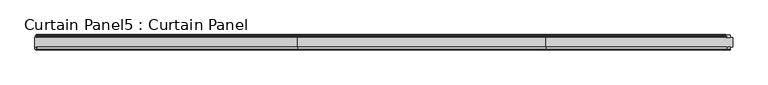
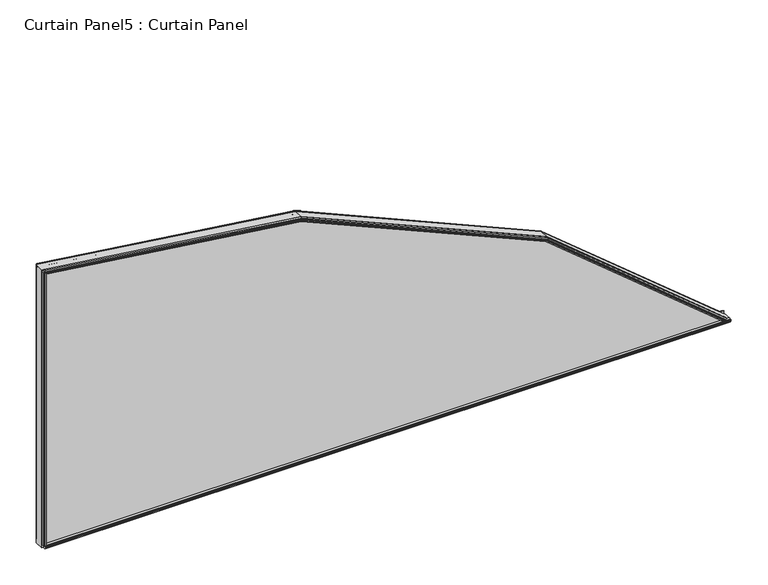
"""IFC4 building model written with IfcOpenShell, lengths in millimetres: plate geometry, Curtain Panel5 : Curtain Panel."""

from ifc_helpers import new_model, si_unit, point, frame, frame_2d, origin, place, context, project, spatial, polyline, circle_curve, ellipse_curve, trimmed, segment, composite_curve, outline, extrude, faceted_brep, source, transform, mapped, element, save
from ifc_brep_helpers import plane_surface, cylinder_surface, advanced_brep


def curtain_panel5_curtain_panel_9cf5a6fa(model_context):
    return source(origin(), model_context, "Body", "SolidModel", [
        extrude(outline(polyline([(12784.877983, -409.995609), (12778.146983, -409.995609), (12778.146983, -406.503109), (12775.429183, -406.020509), (12775.683183, -407.569909), (12774.870383, -407.569909), (12774.463983, -405.233109), (12774.870383, -402.896309), (12775.683183, -402.896309), (12775.429183, -404.445709), (12778.146983, -403.963109), (12778.146983, -399.670509), (12784.877983, -398.478009), (12784.877983, -409.995609)])), frame((-20428.3060321, 0.0, 0.0), z_axis=(1.0, 0.0, 0.0), x_axis=(0.0, 1.0, 0.0)), (0.0, 0.0, 1.0), 2212.0756181),
        extrude(outline(composite_curve([segment(trimmed(circle_curve(frame_2d((12826.5954773, -385.5547046)), 13.8172734), [point((12815.002383, -393.0724974))], [point((12822.952583, -398.883109))], True, "CARTESIAN"), True, "CONTINUOUS"), segment(polyline([(12822.952583, -398.883109), (12820.564983, -398.883109)]), True, "CONTINUOUS"), segment(trimmed(circle_curve(frame_2d((12820.564983, -399.670509)), 0.7874), [point((12820.564983, -398.883109))], [point((12819.777583, -399.670509))], True, "CARTESIAN"), True, "CONTINUOUS"), segment(polyline([(12819.777583, -399.670509), (12819.777583, -400.457909), (12821.352383, -400.457909), (12819.777583, -406.2215802), (12819.777583, -407.091305)]), True, "CONTINUOUS"), segment(trimmed(circle_curve(frame_2d((12817.389983, -407.091305)), 2.3876), [point((12819.777583, -407.091305))], [point((12815.002383, -407.091305))], False, "CARTESIAN"), True, "CONTINUOUS"), segment(polyline([(12815.002383, -407.091305), (12815.002383, -393.0724974)]), True, "CONTINUOUS")], self_intersect=False)), frame((-20428.3060321, 0.0, 0.0), z_axis=(1.0, 0.0, 0.0), x_axis=(0.0, 1.0, 0.0)), (0.0, 0.0, 1.0), 2212.0756181),
        advanced_brep(
        [(-20429.0341071, 12815.002383, 528.646369), (-20427.7700988, 12815.002383, 538.133804), (-20427.7236337, 12816.6677648, 538.4825636), (-20427.7183988, 12817.987968, 538.5218556), (-20427.7714767, 12819.7027992, 538.1234622), (-20428.2343832, 12819.7027992, 534.6489631), (-20428.2981167, 12822.4205992, 534.17059), (-20428.0934986, 12822.1665992, 535.7064193), (-20428.0934986, 12822.9793992, 535.7064193), (-20428.402103, 12823.3857992, 533.3900865), (-20428.7107073, 12822.9793992, 531.0737537), (-20428.7107073, 12822.1665992, 531.0737537), (-20428.5060892, 12822.4205992, 532.6095831), (-20428.5698227, 12819.7027992, 532.13121), (-20429.0327292, 12819.7027992, 528.6567108), (-20429.0858071, 12817.987968, 528.2583175), (-20429.0805722, 12816.6677648, 528.2976095), (-18228.6426262, 12815.002383, -394.8927232), (-18234.7421406, 12815.002383, -402.2687021), (-18234.9663597, 12816.6677648, -402.5398442), (-18234.9916207, 12817.987968, -402.5703916), (-18234.7354918, 12819.7027992, -402.2606619), (-18232.5017207, 12819.7027992, -399.5594225), (-18232.1941725, 12822.4205992, -399.1875128), (-18233.1815641, 12822.1665992, -400.3815388), (-18233.1815641, 12822.9793992, -400.3815388), (-18231.6923834, 12823.3857992, -398.5807126), (-18230.2032027, 12822.9793992, -396.7798864), (-18230.2032027, 12822.1665992, -396.7798864), (-18231.1905943, 12822.4205992, -397.9739125), (-18230.8830461, 12819.7027992, -397.6020027), (-18228.649275, 12819.7027992, -394.9007634), (-18228.3931461, 12817.987968, -394.5910336), (-18228.4184071, 12816.6677648, -394.6215811), (-19596.9075642, 12815.002383, 427.4382268), (-19596.8120841, 12816.6677648, 427.7804561), (-19596.8013271, 12817.987968, 427.8190124), (-19596.9103955, 12819.7027992, 427.4280786), (-18804.8120505, 12819.7027992, 81.5530314), (-18806.6661872, 12819.7027992, 78.537856), (-19597.8616111, 12819.7027992, 424.0186367), (-19597.9925755, 12822.4205992, 423.5492208), (-19597.5721107, 12822.1665992, 425.0562929), (-19597.5721107, 12822.9793992, 425.0562929), (-19598.2062544, 12823.3857992, 422.7833317), (-19598.8403981, 12822.9793992, 420.5103704), (-19598.8403981, 12822.1665992, 420.5103704), (-19598.4199332, 12822.4205992, 422.0174425), (-19598.5508977, 12819.7027992, 421.5480266), (-18808.0097644, 12819.7027992, 76.3529463), (-18809.863901, 12819.7027992, 73.337771), (-19599.5021132, 12819.7027992, 418.1385847), (-19599.6111816, 12817.987968, 417.747651), (-19599.6004246, 12816.6677648, 417.7862072), (-19599.5049445, 12815.002383, 418.1284365), (-18809.8694199, 12815.002383, 73.3287963), (-18804.8065317, 12815.002383, 81.5620061), (-18804.6204192, 12816.6677648, 81.8646601), (-18804.5994513, 12817.987968, 81.8987577), (-18806.9214668, 12822.4205992, 78.1227232), (-18806.1018847, 12822.1665992, 79.4555181), (-18806.1018847, 12822.9793992, 79.4555181), (-18807.3379758, 12823.3857992, 77.4454012), (-18808.5740669, 12822.9793992, 75.4352843), (-18808.5740669, 12822.1665992, 75.4352843), (-18807.7544847, 12822.4205992, 76.7680792), (-18810.0765002, 12817.987968, 72.9920446), (-18810.0555324, 12816.6677648, 73.0261423)],
        [
            (0, 1),
            (1, 2),
            (2, 3, circle_curve(frame((-20427.7211607, 12817.3278992, 538.5011252), z_axis=(-0.9912413513303467, 0.0, 0.13206280101825824), x_axis=(0.004182169195387443, 0.999498442049657, 0.03139066423524093)), 0.6604)),
            (3, 4),
            (4, 5),
            (5, 6),
            (6, 7),
            (7, 8),
            (8, 9),
            (9, 10),
            (10, 11),
            (11, 12),
            (12, 13),
            (13, 14),
            (14, 15),
            (15, 16, circle_curve(frame((-20429.0830452, 12817.3278992, 528.2790479), z_axis=(-0.9912413513303467, 0.0, 0.1320628010182582), x_axis=(0.003744630574845894, -0.9995979183315306, 0.028106572347564)), 0.6604)),
            (16, 0),
            (17, 18),
            (18, 19),
            (19, 20, circle_curve(frame((-18234.978293, 12817.3278992, -402.5542748), z_axis=(0.7706377184790498, 0.0, -0.6372734945511267), x_axis=(0.018069840968344623, -0.9995979183315306, 0.021851373289785966)), 0.6604)),
            (20, 21),
            (21, 22),
            (22, 23),
            (23, 24),
            (24, 25),
            (25, 26),
            (26, 27),
            (27, 28),
            (28, 29),
            (29, 30),
            (30, 31),
            (31, 32),
            (32, 33, circle_curve(frame((-18228.4064738, 12817.3278992, -394.6071504), z_axis=(0.7706377184790497, 0.0, -0.6372734945511266), x_axis=(0.020181198319284024, 0.999498442049657, 0.024404581018864096)), 0.6604)),
            (33, 17),
            (1, 34),
            (34, 35),
            (35, 2),
            (35, 36, ellipse_curve(frame((-19596.8070025, 12817.3278992, 427.7986701), z_axis=(-0.9632150690995037, 0.0, 0.2687317075814434), x_axis=(-0.2687317075814423, 0.0, -0.963215069099504)), 0.6668901, 0.6604)),
            (36, 3),
            (36, 37),
            (37, 4),
            (37, 38),
            (38, 31),
            (30, 39),
            (39, 40),
            (40, 5),
            (40, 41),
            (41, 6),
            (41, 42),
            (42, 7),
            (42, 43),
            (43, 8),
            (43, 44),
            (44, 9),
            (44, 45),
            (45, 10),
            (45, 46),
            (46, 11),
            (46, 47),
            (47, 12),
            (47, 48),
            (48, 13),
            (48, 49),
            (49, 22),
            (21, 50),
            (50, 51),
            (51, 14),
            (51, 52),
            (52, 15),
            (52, 53, ellipse_curve(frame((-19599.6055062, 12817.3278992, 417.7679932), z_axis=(-0.9632150690995037, 0.0, 0.2687317075814433), x_axis=(-0.2687317075814431, 0.0, -0.9632150690995038)), 0.6668901, 0.6604)),
            (53, 16),
            (53, 54),
            (54, 0),
            (54, 55),
            (55, 18),
            (17, 56),
            (56, 34),
            (56, 57),
            (57, 35),
            (57, 58, ellipse_curve(frame((-18804.6105139, 12817.3278992, 81.8807679), z_axis=(-0.851829253573997, 0.0, 0.5238195517118155), x_axis=(-0.5238195517118148, 0.0, -0.8518292535739974)), 0.6668901, 0.6604)),
            (58, 36),
            (58, 38),
            (39, 59),
            (59, 41),
            (59, 60),
            (60, 42),
            (43, 61),
            (61, 62),
            (62, 44),
            (62, 63),
            (63, 45),
            (46, 64),
            (64, 65),
            (65, 47),
            (65, 49),
            (50, 66),
            (66, 52),
            (66, 67, ellipse_curve(frame((-18810.0654376, 12817.3278992, 73.0100345), z_axis=(-0.851829253573997, 0.0, 0.5238195517118155), x_axis=(-0.5238195517118148, 0.0, -0.8518292535739974)), 0.6668901, 0.6604)),
            (67, 53),
            (67, 55),
            (33, 57),
            (32, 58),
            (29, 59),
            (28, 60),
            (61, 27),
            (26, 62),
            (25, 63),
            (64, 24),
            (23, 65),
            (20, 66),
            (19, 67),
            (60, 61),
            (63, 64),
        ],
        [
            plane_surface(frame((-20427.6651851, 12815.002383, 538.9212692), z_axis=(-0.9912413513303477, 0.0, 0.13206280101825107), x_axis=(0.0, 1.0, 0.0))),
            plane_surface(frame((-18228.1363613, 12815.002383, -394.2805107), z_axis=(0.7706377184790544, 0.0, -0.6372734945511211), x_axis=(0.0, 1.0, 0.0))),
            plane_surface(frame((-20427.7700988, 12815.002383, 538.133804), z_axis=(0.12921068404145455, -0.20670492848321984, 0.9698338371444288), x_axis=(0.9912413513303479, 0.0, -0.13206280101824996))),
            cylinder_surface(frame((-20427.7211607, 12817.3278992, 538.5011252), z_axis=(-0.9912413513303467, 0.0, 0.13206280101825824), x_axis=(0.004182169195387443, 0.999498442049657, 0.03139066423524093)), 0.6604),
            plane_surface(frame((-20427.7183988, 12817.987968, 538.5218556), z_axis=(0.1285784970906457, 0.2281913227891283, 0.965088747364541), x_axis=(0.9912413513303477, 0.0, -0.13206280101825074))),
            plane_surface(frame((-20427.7714767, 12819.7027992, 538.1234622), z_axis=(0.0, 1.0000000000000002, 0.0), x_axis=(0.9912413513303476, 0.0, -0.13206280101825207))),
            plane_surface(frame((-20428.2343832, 12819.7027992, 534.6489631), z_axis=(0.13002873371405116, 0.174835110415348, 0.9759739815050263), x_axis=(0.9912413513303476, 0.0, -0.1320628010182521))),
            plane_surface(frame((-20428.2981167, 12822.4205992, 534.17059), z_axis=(-0.0213644632092366, -0.9868276651054949, -0.1603580964411166), x_axis=(0.9912413513303477, 0.0, -0.1320628010182507))),
            plane_surface(frame((-20428.0934986, 12822.1665992, 535.7064193), z_axis=(0.13206280101825055, 0.0, 0.9912413513303477), x_axis=(0.9912413513303477, 0.0, -0.13206280101825055))),
            plane_surface(frame((-20428.0934986, 12822.9793992, 535.7064193), z_axis=(0.02262779546743316, 0.9852117548196437, 0.1698404575991307), x_axis=(0.9912413513303477, 0.0, -0.13206280101825055))),
            plane_surface(frame((-20428.402103, 12823.3857992, 533.3900865), z_axis=(-0.022627795467377556, 0.9852117548197105, -0.16984045759875083), x_axis=(0.9912413513303476, 0.0, -0.13206280101825138))),
            plane_surface(frame((-20428.7107073, 12822.9793992, 531.0737537), z_axis=(-0.13206280101825163, 0.0, -0.9912413513303476), x_axis=(0.9912413513303476, 0.0, -0.13206280101825163))),
            plane_surface(frame((-20428.7107073, 12822.1665992, 531.0737537), z_axis=(0.021364463209178213, -0.9868276651055612, 0.16035809644071583), x_axis=(0.9912413513303476, 0.0, -0.13206280101825163))),
            plane_surface(frame((-20428.5060892, 12822.4205992, 532.6095831), z_axis=(-0.13002873371403825, 0.1748351104157787, -0.9759739815049511), x_axis=(0.9912413513303479, 0.0, -0.13206280101825013))),
            plane_surface(frame((-20428.5698227, 12819.7027992, 532.13121), z_axis=(0.0, 1.0, 0.0), x_axis=(0.9912413513303476, 0.0, -0.132062801018252))),
            plane_surface(frame((-20429.0327292, 12819.7027992, 528.6567108), z_axis=(-0.1285784970906363, 0.2281913227893799, -0.9650887473644828), x_axis=(0.9912413513303479, 0.0, -0.1320628010182503))),
            cylinder_surface(frame((-20429.0830452, 12817.3278992, 528.2790479), z_axis=(-0.991241351330347, 0.0, 0.13206280101825824), x_axis=(0.003744630574845894, -0.9995979183315306, 0.028106572347564)), 0.6604),
            plane_surface(frame((-20429.0805722, 12816.6677648, 528.2976095), z_axis=(-0.12921068404147035, -0.20670492848274594, -0.9698338371445278), x_axis=(0.9912413513303476, 0.0, -0.13206280101825152))),
            plane_surface(frame((-20427.9056525, 12815.002383, 537.116361), z_axis=(0.0, -1.0000000000000002, 0.0), x_axis=(0.9912413513303476, 0.0, -0.13206280101825216))),
            plane_surface(frame((-19596.9075642, 12815.002383, 427.4382268), z_axis=(0.3915277157273864, -0.2067049284832205, 0.8966488277793272), x_axis=(0.9164409011895428, 0.0, -0.40017005713433706))),
            cylinder_surface(frame((-19596.8615941, 12817.3278992, 427.8225079), z_axis=(-0.9164409011895405, 0.0, 0.40017005713434234), x_axis=(0.012672598740600437, 0.999498442049657, 0.029021881080802794)), 0.6604),
            plane_surface(frame((-19596.8013271, 12817.987968, 427.8190124), z_axis=(0.38961209462685664, 0.22819132278912768, 0.8922618090696371), x_axis=(0.9164409011895438, 0.0, -0.40017005713433496))),
            plane_surface(frame((-19597.8616111, 12819.7027992, 424.0186367), z_axis=(0.394006528698914, 0.17483511041534733, 0.9023256283120219), x_axis=(0.9164409011895439, 0.0, -0.4001700571343346))),
            plane_surface(frame((-19597.9925755, 12822.4205992, 423.5492208), z_axis=(-0.06473752182419978, -0.9868276651054948, -0.1482572515949852), x_axis=(0.9164409011895432, 0.0, -0.40017005713433623))),
            plane_surface(frame((-19597.5721107, 12822.9793992, 425.0562929), z_axis=(0.06856560768974435, 0.9852117548196437, 0.1570240606000698), x_axis=(0.916440901189543, 0.0, -0.4001700571343368))),
            plane_surface(frame((-19598.2062544, 12823.3857992, 422.7833317), z_axis=(-0.06856560768958571, 0.9852117548197108, -0.1570240605997188), x_axis=(0.9164409011895429, 0.0, -0.40017005713433695))),
            plane_surface(frame((-19598.8403981, 12822.1665992, 420.5103704), z_axis=(0.06473752182403253, -0.9868276651055615, 0.1482572515946149), x_axis=(0.9164409011895436, 0.0, -0.40017005713433557))),
            plane_surface(frame((-19598.4199332, 12822.4205992, 422.0174425), z_axis=(-0.39400652869888425, 0.1748351104157794, -0.9023256283119514), x_axis=(0.9164409011895432, 0.0, -0.4001700571343364))),
            plane_surface(frame((-19599.5021132, 12819.7027992, 418.1385847), z_axis=(-0.3896120946268342, 0.22819132278938062, -0.8922618090695823), x_axis=(0.9164409011895428, 0.0, -0.4001700571343373))),
            cylinder_surface(frame((-19600.9883078, 12817.3278992, 418.3718028), z_axis=(-0.9164409011895407, 0.0, 0.40017005713434234), x_axis=(0.011346791220000369, -0.9995979183315306, 0.025985611331669732)), 0.6604),
            plane_surface(frame((-19599.6004246, 12816.6677648, 417.7862072), z_axis=(-0.3915277157274267, -0.20670492848274527, -0.8966488277794193), x_axis=(0.9164409011895434, 0.0, -0.40017005713433607))),
            plane_surface(frame((-18804.8065317, 12815.002383, 81.5620061), z_axis=(0.62351050801247, -0.2067049284832212, 0.7539945085600942), x_axis=(0.7706377184790543, 0.0, -0.6372734945511211))),
            cylinder_surface(frame((-18804.6564202, 12817.3278992, 81.9187297), z_axis=(-0.7706377184790499, 0.0, 0.6372734945511267), x_axis=(0.020181198319284024, 0.999498442049657, 0.024404581018864096)), 0.6604),
            plane_surface(frame((-18804.5994513, 12817.987968, 81.8987577), z_axis=(0.6204598685875439, 0.2281913227891269, 0.7503054522499997), x_axis=(0.7706377184790535, 0.0, -0.6372734945511221))),
            plane_surface(frame((-18806.6661872, 12819.7027992, 78.537856), z_axis=(0.6274580342617277, 0.17483511041534655, 0.758768146014619), x_axis=(0.7706377184790556, 0.0, -0.6372734945511196))),
            plane_surface(frame((-18806.9214668, 12822.4205992, 78.1227232), z_axis=(-0.10309493682991229, -0.9868276651054947, -0.12466993776558215), x_axis=(0.7706377184790557, 0.0, -0.6372734945511195))),
            plane_surface(frame((-18806.1018847, 12822.9793992, 79.4555181), z_axis=(0.10919118919433743, 0.9852117548196437, 0.13204197199195788), x_axis=(0.7706377184790549, 0.0, -0.6372734945511204))),
            plane_surface(frame((-18807.3379758, 12823.3857992, 77.4454012), z_axis=(-0.1091911891940866, 0.9852117548197109, -0.1320419719916636), x_axis=(0.770637718479055, 0.0, -0.6372734945511204))),
            plane_surface(frame((-18808.5740669, 12822.1665992, 75.4352843), z_axis=(0.10309493682964845, -0.9868276651055616, 0.12466993776527119), x_axis=(0.7706377184790536, 0.0, -0.6372734945511221))),
            plane_surface(frame((-18807.7544847, 12822.4205992, 76.7680792), z_axis=(-0.6274580342616789, 0.1748351104157801, -0.7587681460145593), x_axis=(0.7706377184790546, 0.0, -0.6372734945511207))),
            plane_surface(frame((-18809.863901, 12819.7027992, 73.337771), z_axis=(-0.6204598685875024, 0.22819132278938126, -0.7503054522499567), x_axis=(0.7706377184790556, 0.0, -0.6372734945511197))),
            cylinder_surface(frame((-18811.2282393, 12817.3278992, 73.9716053), z_axis=(-0.7706377184790498, 0.0, 0.6372734945511267), x_axis=(0.018069840968344623, -0.9995979183315306, 0.021851373289785966)), 0.6604),
            plane_surface(frame((-18810.0555324, 12816.6677648, 73.0261423), z_axis=(-0.623510508012535, -0.20670492848274447, -0.7539945085601714), x_axis=(0.7706377184790545, 0.0, -0.6372734945511211))),
            plane_surface(frame((-19597.5721107, 12822.1665992, 425.0562929), z_axis=(0.4001700571343368, 0.0, 0.916440901189543), x_axis=(0.916440901189543, 0.0, -0.4001700571343368))),
            plane_surface(frame((-19598.8403981, 12822.9793992, 420.5103704), z_axis=(-0.40017005713433423, 0.0, -0.9164409011895441), x_axis=(0.9164409011895441, 0.0, -0.40017005713433423))),
            plane_surface(frame((-18806.1018847, 12822.1665992, 79.4555181), z_axis=(0.6372734945511227, 0.0, 0.7706377184790532), x_axis=(0.7706377184790532, 0.0, -0.6372734945511227))),
            plane_surface(frame((-18808.5740669, 12822.9793992, 75.4352843), z_axis=(-0.6372734945511221, 0.0, -0.7706377184790535), x_axis=(0.7706377184790535, 0.0, -0.6372734945511221))),
        ],
        [
            (0, [[1, 2, 3, 4, 5, 6, 7, 8, 9, 10, 11, 12, 13, 14, 15, 16, 17]]),
            (1, [[18, 19, 20, 21, 22, 23, 24, 25, 26, 27, 28, 29, 30, 31, 32, 33, 34]]),
            (2, [[-2, 35, 36, 37]]),
            (3, [[-3, -37, 38, 39]]),
            (4, [[-4, -39, 40, 41]]),
            (5, [[-5, -41, 42, 43, -31, 44, 45, 46]]),
            (6, [[-6, -46, 47, 48]]),
            (7, [[-7, -48, 49, 50]]),
            (8, [[-8, -50, 51, 52]]),
            (9, [[-9, -52, 53, 54]]),
            (10, [[-10, -54, 55, 56]]),
            (11, [[-11, -56, 57, 58]]),
            (12, [[-12, -58, 59, 60]]),
            (13, [[-13, -60, 61, 62]]),
            (14, [[-14, -62, 63, 64, -22, 65, 66, 67]]),
            (15, [[-15, -67, 68, 69]]),
            (16, [[-16, -69, 70, 71]]),
            (17, [[-17, -71, 72, 73]]),
            (18, [[-73, 74, 75, -18, 76, 77, -35, -1]]),
            (19, [[-36, -77, 78, 79]]),
            (20, [[-38, -79, 80, 81]]),
            (21, [[-40, -81, 82, -42]]),
            (22, [[-47, -45, 83, 84]]),
            (23, [[-49, -84, 85, 86]]),
            (24, [[-53, 87, 88, 89]]),
            (25, [[-55, -89, 90, 91]]),
            (26, [[-59, 92, 93, 94]]),
            (27, [[-61, -94, 95, -63]]),
            (28, [[-68, -66, 96, 97]]),
            (29, [[-70, -97, 98, 99]]),
            (30, [[-72, -99, 100, -74]]),
            (31, [[-78, -76, -34, 101]]),
            (32, [[-80, -101, -33, 102]]),
            (33, [[-82, -102, -32, -43]]),
            (34, [[-83, -44, -30, 103]]),
            (35, [[-85, -103, -29, 104]]),
            (36, [[-88, 105, -27, 106]]),
            (37, [[-90, -106, -26, 107]]),
            (38, [[-93, 108, -24, 109]]),
            (39, [[-95, -109, -23, -64]]),
            (40, [[-96, -65, -21, 110]]),
            (41, [[-98, -110, -20, 111]]),
            (42, [[-100, -111, -19, -75]]),
            (43, [[-51, -86, 112, -87]]),
            (44, [[-57, -91, 113, -92]]),
            (45, [[-112, -104, -28, -105]]),
            (46, [[-113, -107, -25, -108]]),
        ],
    ),
        faceted_brep([(-20429.4004315, 12784.877983, 525.8967987), (-20429.2411969, 12778.0721992, 527.091987), (-20428.5727551, 12778.0721992, 532.1092), (-20428.5090216, 12775.3543992, 532.5875731), (-20428.7136397, 12775.6083992, 531.0517438), (-20428.7136397, 12774.7955992, 531.0517438), (-20428.4050353, 12774.3891992, 533.3680766), (-20428.096431, 12774.7955992, 535.6844093), (-20428.096431, 12775.6083992, 535.6844093), (-20428.3010491, 12775.3543992, 534.14858), (-20428.2373156, 12778.0721992, 534.6269531), (-20427.6651851, 12778.0721992, 538.9212692), (-20427.6651851, 12784.877983, 538.9212692), (-18236.5098517, 12784.877983, -404.4063476), (-18228.1363613, 12784.877983, -394.2805107), (-18228.1363613, 12778.0721992, -394.2805107), (-18230.8971964, 12778.0721992, -397.6191143), (-18231.2047446, 12775.3543992, -397.9910241), (-18230.217353, 12775.6083992, -396.796998), (-18230.217353, 12774.7955992, -396.796998), (-18231.7065337, 12774.3891992, -398.5978242), (-18233.1957144, 12774.7955992, -400.3986504), (-18233.1957144, 12775.6083992, -400.3986504), (-18232.2083229, 12775.3543992, -399.2046244), (-18232.5158711, 12778.0721992, -399.5765341), (-18235.7414597, 12778.0721992, -403.4771518), (-19600.2576959, 12784.877983, 415.4303497), (-19599.9304885, 12778.0721992, 416.6031591), (-18810.6989024, 12778.0721992, 71.9799014), (-18808.0215098, 12778.0721992, 76.3338461), (-19598.5569234, 12778.0721992, 421.5264288), (-19598.4259589, 12775.3543992, 421.9958447), (-19598.8464237, 12775.6083992, 420.4887725), (-19598.8464237, 12774.7955992, 420.4887725), (-19598.21228, 12774.3891992, 422.7617338), (-19597.5781364, 12774.7955992, 425.0346951), (-19597.5781364, 12775.6083992, 425.0346951), (-19597.9986012, 12775.3543992, 423.5276229), (-19597.8676367, 12778.0721992, 423.9970389), (-18806.6779326, 12778.0721992, 78.5187557), (-18804.3863077, 12778.0721992, 82.2453695), (-19596.6919795, 12778.0721992, 428.2109473), (-19596.6919795, 12784.877983, 428.2109473), (-18804.3863077, 12784.877983, 82.2453695), (-18811.3367044, 12784.877983, 70.9427152), (-18807.7662302, 12775.3543992, 76.7489789), (-18808.5858123, 12775.6083992, 75.416184), (-18808.5858123, 12774.7955992, 75.416184), (-18807.3497212, 12774.3891992, 77.4263009), (-18806.1136301, 12774.7955992, 79.4364178), (-18806.1136301, 12775.6083992, 79.4364178), (-18806.9332123, 12775.3543992, 78.1036229)], [[[0, 1, 2, 3, 4, 5, 6, 7, 8, 9, 10, 11, 12]], [[13, 14, 15, 16, 17, 18, 19, 20, 21, 22, 23, 24, 25]], [[1, 0, 26, 27]], [[2, 1, 27, 28, 25, 24, 29, 30]], [[3, 2, 30, 31]], [[4, 3, 31, 32]], [[5, 4, 32, 33]], [[6, 5, 33, 34]], [[7, 6, 34, 35]], [[8, 7, 35, 36]], [[9, 8, 36, 37]], [[10, 9, 37, 38]], [[11, 10, 38, 39, 16, 15, 40, 41]], [[12, 11, 41, 42]], [[0, 12, 42, 43, 14, 13, 44, 26]], [[27, 26, 44, 28]], [[31, 30, 29, 45]], [[32, 31, 45, 46]], [[33, 32, 46, 47]], [[34, 33, 47, 48]], [[35, 34, 48, 49]], [[36, 35, 49, 50]], [[37, 36, 50, 51]], [[38, 37, 51, 39]], [[42, 41, 40, 43]], [[28, 44, 13, 25]], [[45, 29, 24, 23]], [[46, 45, 23, 22]], [[47, 46, 22, 21]], [[48, 47, 21, 20]], [[49, 48, 20, 19]], [[50, 49, 19, 18]], [[51, 50, 18, 17]], [[39, 51, 17, 16]], [[43, 40, 15, 14]]]),
        extrude(outline(composite_curve([segment(polyline([(-20421.8985577, 12816.7171485), (-20422.2608321, 12815.002383), (-20431.8112321, 12815.002383), (-20432.1735065, 12816.7171485)]), True, "CONTINUOUS"), segment(trimmed(circle_curve(frame_2d((-20432.1922321, 12817.377283)), 0.6604), [point((-20432.1735065, 12816.7171485))], [point((-20432.2131457, 12818.0373518))], False, "CARTESIAN"), True, "CONTINUOUS"), segment(polyline([(-20432.2131457, 12818.0373518), (-20431.8112321, 12819.752183), (-20428.3060321, 12819.752183), (-20427.8234321, 12822.469983), (-20429.3728321, 12822.215983), (-20429.3728321, 12823.028783), (-20427.0360321, 12823.435183), (-20424.6992321, 12823.028783), (-20424.6992321, 12822.215983), (-20426.2486321, 12822.469983), (-20425.7660321, 12819.752183), (-20422.2608321, 12819.752183), (-20421.8589185, 12818.0373518)]), True, "CONTINUOUS"), segment(trimmed(circle_curve(frame_2d((-20421.8798321, 12817.377283)), 0.6604), [point((-20421.8589185, 12818.0373518))], [point((-20421.8985577, 12816.7171485))], False, "CARTESIAN"), True, "CONTINUOUS")], self_intersect=False)), frame((0.0, 0.0, -399.1044095), z_axis=(0.0, 0.0, 1.0), x_axis=(1.0, 0.0, 0.0)), (0.0, 0.0, 1.0), 934.2597581),
        extrude(outline(polyline([(-20427.0106321, 12775.403783), (-20425.4612321, 12775.657783), (-20425.4612321, 12774.844983), (-20427.7980321, 12774.438583), (-20430.1348321, 12774.844983), (-20430.1348321, 12775.657783), (-20428.5854321, 12775.403783), (-20429.0680321, 12778.121583), (-20433.3606321, 12778.121583), (-20433.3606321, 12784.877983), (-20421.0384321, 12784.877983), (-20422.2354321, 12778.121583), (-20426.5280321, 12778.121583), (-20427.0106321, 12775.403783)])), frame((0.0, 0.0, -399.1044095), z_axis=(0.0, 0.0, 1.0), x_axis=(1.0, 0.0, 0.0)), (0.0, 0.0, 1.0), 934.2597581),
        extrude(outline(polyline([(-409.995609, -18209.132515), (82.2453695, -18804.3863077), (428.2109473, -19596.6919795), (539.683456, -20433.3860321), (-409.995609, -20433.3860321), (-409.995609, -18209.132515)])), frame((0.0, 12784.877983, 0.0), z_axis=(0.0, 1.0, 0.0), x_axis=(0.0, 0.0, 1.0)), (0.0, 0.0, 1.0), 30.1244),
    ])


if __name__ == "__main__":
    model = new_model("IFC4")
    model_context = context("Model", 3, world=origin())
    ifc_project = project(units=[si_unit("LENGTHUNIT", "METRE", prefix="MILLI")], contexts=[model_context])
    site = spatial("IfcSite", under=ifc_project)
    building = spatial("IfcBuilding", under=site)
    placement = place(None, origin())
    curtain_panel5_curtain_panel_shape = curtain_panel5_curtain_panel_9cf5a6fa(model_context)
    element("IfcPlate", 1, ObjectType="Curtain Panel5 : Curtain Panel", at=placement, inside=building, context=model_context, shape_type="MappedRepresentation", body=[
        mapped(curtain_panel5_curtain_panel_shape, transform((0.0, 0.0, 0.0), x_axis=(1.0, 0.0, 0.0), y_axis=(0.0, 1.0, 0.0), z_axis=(0.0, 0.0, 1.0))),
    ])
    save(model, "model.ifc")
